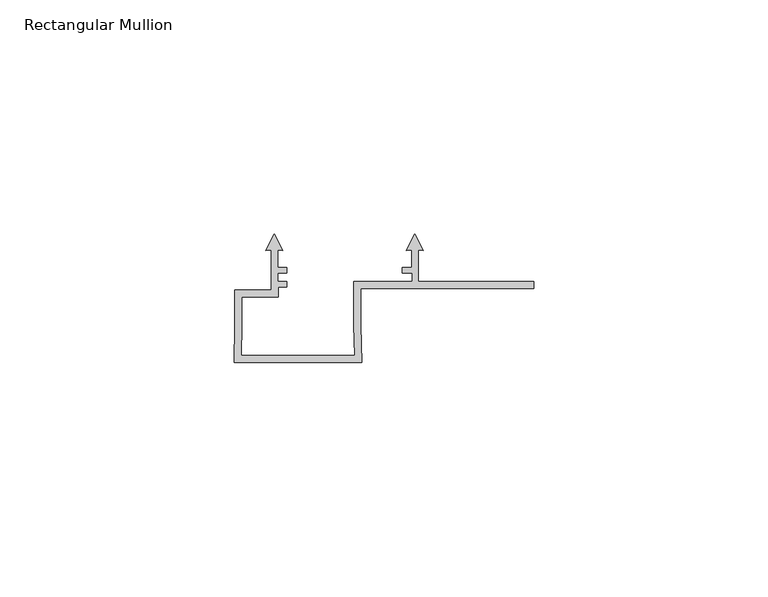
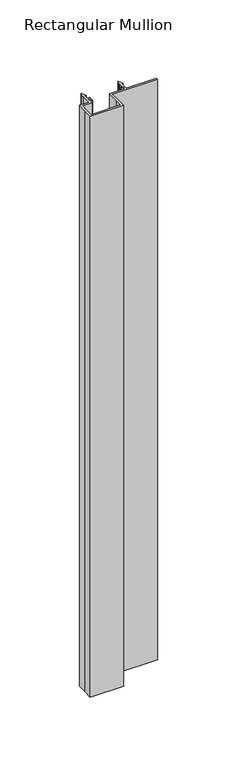
"""IFC4 building model written with IfcOpenShell, lengths in millimetres: member geometry, Rectangular Mullion."""

import ifcopenshell
import ifcopenshell.guid

model = None  # the IFC model being written
_history = None  # IfcOwnerHistory: only IFC2X3 demands one
_inside = {}  # id of a spatial element -> (the spatial element, [elements in it])
_under = {}  # id of a project, library or spatial element -> (it, [spatial elements below it])
_declared = {}  # id of a project -> (the project, [libraries it declares])
_typed = {}  # id of a type object -> (the type object, [elements of that type])
_made_of = {}  # id of a material, layer set ... -> (it, [elements and type objects made of it])


def new_model(schema):
    """Start an empty IFC model of exactly this schema.

    Asked for "IFC4X3", IfcOpenShell would pick the latest addendum, in which some entities
    have other attributes; the version numbers below select the first issue.
    IFC2X3 requires an IfcOwnerHistory on every rooted entity: one is made here for all.
    """
    global model, _history
    if schema == "IFC4X3":
        model = ifcopenshell.file(schema_version=(4, 3, 0, 0))
    else:
        model = ifcopenshell.file(schema=schema)
    _inside.clear()
    _under.clear()
    _declared.clear()
    _typed.clear()
    _made_of.clear()
    _history = None
    if model.schema == "IFC2X3":
        org = make("IfcOrganization", Name="unknown")
        user = make(
            "IfcPersonAndOrganization",
            ThePerson=make("IfcPerson", FamilyName="unknown"),
            TheOrganization=org,
        )
        app = make(
            "IfcApplication",
            ApplicationDeveloper=org,
            Version="unknown",
            ApplicationFullName="unknown",
            ApplicationIdentifier="unknown",
        )
        _history = make(
            "IfcOwnerHistory",
            OwningUser=user,
            OwningApplication=app,
            ChangeAction="ADDED",
            CreationDate=0,
        )
    return model


def make(cls, **values):
    """One entity of the class cls with the attributes given. An attribute that is None is left unset."""
    return model.create_entity(
        cls, **{name: value for name, value in values.items() if value is not None}
    )


def rooted(cls, **values):
    """An entity with a GlobalId (a new one), such as an element, a storey or a relation."""
    return make(cls, GlobalId=ifcopenshell.guid.new(), OwnerHistory=_history, **values)


def si_unit(unit_type, name, prefix=None):
    """IfcSIUnit, for example si_unit("LENGTHUNIT", "METRE", prefix="MILLI")."""
    return make("IfcSIUnit", UnitType=unit_type, Prefix=prefix, Name=name)


def assignment(units):
    """IfcUnitAssignment: the units of a project."""
    return None if units is None else make("IfcUnitAssignment", Units=units)


def point(xyz):
    """IfcCartesianPoint."""
    return None if xyz is None else make("IfcCartesianPoint", Coordinates=xyz)


def direction(xyz):
    """IfcDirection."""
    return None if xyz is None else make("IfcDirection", DirectionRatios=xyz)


def frame(location, z_axis=None, x_axis=None):
    """IfcAxis2Placement3D, a coordinate frame: its origin and axes. An axis left out is left unset."""
    return make(
        "IfcAxis2Placement3D",
        Location=point(location),
        Axis=direction(z_axis),
        RefDirection=direction(x_axis),
    )


def origin():
    """The frame at (0, 0, 0) with its axes left unset."""
    return frame((0.0, 0.0, 0.0))


def place(relative_to, where):
    """IfcLocalPlacement: puts the frame where relative to a parent placement (None: the world)."""
    return make(
        "IfcLocalPlacement", PlacementRelTo=relative_to, RelativePlacement=where
    )


def context(
    kind, dimensions, precision=None, world=None, true_north=None, identifier=None
):
    """IfcGeometricRepresentationContext, for example the 3D "Model" context."""
    return make(
        "IfcGeometricRepresentationContext",
        ContextIdentifier=identifier,
        ContextType=kind,
        CoordinateSpaceDimension=dimensions,
        Precision=precision,
        WorldCoordinateSystem=world,
        TrueNorth=true_north,
    )


def project(units=None, contexts=None):
    """IfcProject with its units and contexts."""
    return rooted(
        "IfcProject",
        Name="project",
        RepresentationContexts=contexts,
        UnitsInContext=assignment(units),
    )


def spatial(cls, under=None, at=None, **own):
    """A site, building, storey or space (cls), placed at a placement, below another one or the project."""
    s = rooted(cls, ObjectPlacement=at, **own)
    if under is not None:
        _under.setdefault(under.id(), (under, []))[1].append(s)
    return s


def polyline(points):
    """IfcPolyline through the points."""
    return make("IfcPolyline", Points=[point(p) for p in points])


def outline(outer, holes=None, kind="AREA"):
    """IfcArbitraryClosedProfileDef: a profile drawn as a closed curve; with holes, ...WithVoids."""
    if holes is None:
        return make("IfcArbitraryClosedProfileDef", ProfileType=kind, OuterCurve=outer)
    return make(
        "IfcArbitraryProfileDefWithVoids",
        ProfileType=kind,
        OuterCurve=outer,
        InnerCurves=holes,
    )


def extrude(swept, where, along, depth):
    """IfcExtrudedAreaSolid: the profile swept, set in the frame where, extruded along a direction by depth."""
    return make(
        "IfcExtrudedAreaSolid",
        SweptArea=swept,
        Position=where,
        ExtrudedDirection=direction(along),
        Depth=depth,
    )


def shape(context_of_items, identifier, shape_type, items):
    """IfcShapeRepresentation: the items that make up one representation, for example the "Body"."""
    return make(
        "IfcShapeRepresentation",
        ContextOfItems=context_of_items,
        RepresentationIdentifier=identifier,
        RepresentationType=shape_type,
        Items=items,
    )


def source(mapping_origin, context_of_items, identifier, shape_type, items):
    """IfcRepresentationMap: a shape defined once, which mapped items show again and again."""
    return make(
        "IfcRepresentationMap",
        MappingOrigin=mapping_origin,
        MappedRepresentation=shape(context_of_items, identifier, shape_type, items),
    )


def transform(
    local_origin,
    x_axis=None,
    y_axis=None,
    z_axis=None,
    scale=None,
    scale2=None,
    scale3=None,
    uniform=True,
):
    """IfcCartesianTransformationOperator3D, or its non-uniform kind. x_axis, y_axis, z_axis: its Axis1, 2, 3."""
    if uniform:
        return make(
            "IfcCartesianTransformationOperator3D",
            Axis1=direction(x_axis),
            Axis2=direction(y_axis),
            LocalOrigin=point(local_origin),
            Scale=scale,
            Axis3=direction(z_axis),
        )
    return make(
        "IfcCartesianTransformationOperator3DnonUniform",
        Axis1=direction(x_axis),
        Axis2=direction(y_axis),
        LocalOrigin=point(local_origin),
        Scale=scale,
        Axis3=direction(z_axis),
        Scale2=scale2,
        Scale3=scale3,
    )


def mapped(mapping_source, mapping_target):
    """IfcMappedItem: shows the shape of a source again, moved by a transform."""
    return make(
        "IfcMappedItem", MappingSource=mapping_source, MappingTarget=mapping_target
    )


def made_of(thing, what):
    """Note that an element or type object is made of a material, layer set ...; save() writes the relation."""
    if what is not None:
        _made_of.setdefault(what.id(), (what, []))[1].append(thing)
    return thing


def element(
    cls,
    number,
    at=None,
    inside=None,
    cuts=None,
    type_object=None,
    material=None,
    context=None,
    identifier="Body",
    shape_type=None,
    held_by="IfcProductDefinitionShape",
    body=None,
    shapes=None,
    **own,
):
    """One element of the class cls, such as IfcWall. Its Tag is "e" and its number.

    at: its placement. inside: the storey or other place that contains it. cuts: it is an
    opening in that element (IfcRelVoidsElement). A single representation is given by context,
    identifier, shape_type and body (its items); several are given by shapes. held_by: the class
    of the entity that holds the representations. save() writes the other relations.
    """
    e = rooted(cls, Tag="e%d" % number, ObjectPlacement=at, **own)
    if body is not None:
        shapes = [shape(context, identifier, shape_type, body)]
    if shapes is not None:
        e.Representation = make(held_by, Representations=shapes)
    if inside is not None:
        _inside.setdefault(inside.id(), (inside, []))[1].append(e)
    if cuts is not None:
        rooted(
            "IfcRelVoidsElement", RelatingBuildingElement=cuts, RelatedOpeningElement=e
        )
    if type_object is not None:
        _typed.setdefault(type_object.id(), (type_object, []))[1].append(e)
    return made_of(e, material)


def aggregate(whole, parts):
    """IfcRelAggregates: a whole, such as a stair, and the parts it consists of."""
    return rooted("IfcRelAggregates", RelatingObject=whole, RelatedObjects=parts)


def save(model, path):
    """Write the relations noted so far, then the file.

    IfcRelAggregates (storeys below a building ...), IfcRelContainedInSpatialStructure (elements
    in a storey), IfcRelDefinesByType, IfcRelAssociatesMaterial and IfcRelDeclares: one each for
    every whole, place, type object, material and project.
    """
    for whole, parts in _under.values():
        aggregate(whole, parts)
    for where, things in _inside.values():
        rooted(
            "IfcRelContainedInSpatialStructure",
            RelatedElements=things,
            RelatingStructure=where,
        )
    for kind, things in _typed.values():
        rooted("IfcRelDefinesByType", RelatedObjects=things, RelatingType=kind)
    for what, things in _made_of.values():
        rooted("IfcRelAssociatesMaterial", RelatedObjects=things, RelatingMaterial=what)
    for by, libraries in _declared.values():
        rooted("IfcRelDeclares", RelatingContext=by, RelatedDefinitions=libraries)
    model.write(path)


def rectangular_mullion_5cb628ce(model_context):
    return source(origin(), model_context, "Body", "SweptSolid", [
        extrude(outline(polyline([(0.0, -52.1000001), (0.1443272, -44.0977912), (0.1443272, -36.5995654), (7.9351461, -36.5995654), (7.9351461, -28.0038205), (6.8194096, -28.1014348), (8.6351462, -24.5378474), (10.4508827, -28.1014348), (9.3351463, -28.0038206), (9.3351463, -31.698351), (11.3227094, -31.698351), (11.3227094, -32.9004386), (9.344327, -32.9004386), (9.344327, -34.6999954), (11.3232242, -34.6999954), (11.3232242, -35.9015214), (9.4446143, -35.9015214), (9.4446143, -38.0997951), (1.6351472, -38.0997951), (1.6351135, -44.1153631), (1.5181226, -50.5999998), (25.7521689, -50.5999998), (25.6351455, -44.1117002), (25.6351455, -34.6999997), (38.0351451, -34.6999997), (38.0351451, -32.9008281), (35.942882, -32.9008281), (35.942882, -31.6999997), (37.9351461, -31.6999997), (37.9351461, -28.0038204), (36.8194083, -28.1014348), (38.635145, -24.5378474), (40.4508816, -28.1014348), (39.3351463, -28.0038207), (39.3351463, -34.7056679), (64.1, -34.7056679), (64.1, -36.2004291), (27.1353052, -36.2004291), (27.1352165, -44.1039069), (27.279476, -52.1000001), (0.0, -52.1000001)])), frame((0.0, 0.0, -500.0), z_axis=(0.0, 0.0, 1.0), x_axis=(1.0, 0.0, 0.0)), (0.0, 0.0, 1.0), 500.0),
    ])


if __name__ == "__main__":
    model = new_model("IFC4")
    model_context = context("Model", 3, world=origin())
    ifc_project = project(units=[si_unit("LENGTHUNIT", "METRE", prefix="MILLI")], contexts=[model_context])
    site = spatial("IfcSite", under=ifc_project)
    building = spatial("IfcBuilding", under=site)
    placement = place(None, origin())
    rectangular_mullion_shape = rectangular_mullion_5cb628ce(model_context)
    element("IfcMember", 1, ObjectType="Rectangular Mullion", at=placement, inside=building, context=model_context, shape_type="MappedRepresentation", body=[
        mapped(rectangular_mullion_shape, transform((0.0, 0.0, 0.0), x_axis=(1.0, 0.0, 0.0), y_axis=(0.0, 1.0, 0.0), z_axis=(0.0, 0.0, 1.0))),
    ])
    save(model, "model.ifc")
